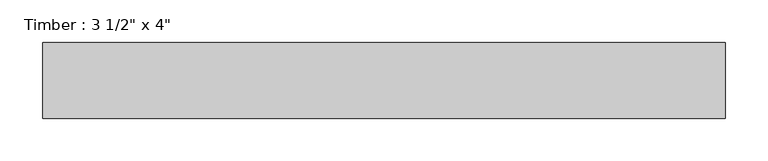
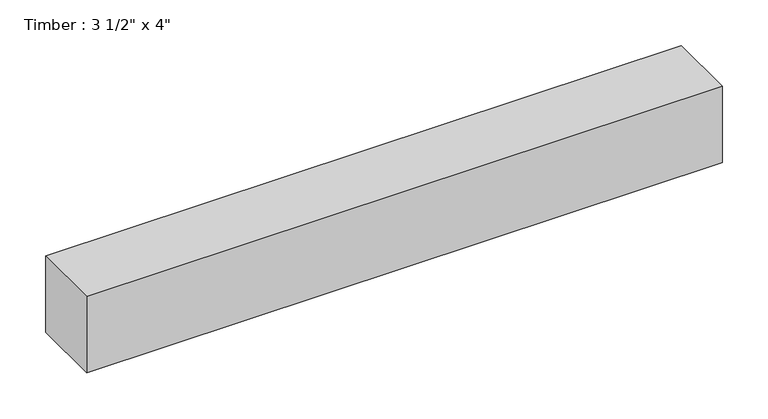
"""IFC4 building model written with IfcOpenShell, lengths in millimetres: beam geometry."""

from ifc_helpers import new_model, si_unit, frame, origin, place, context, project, spatial, polyline, outline, extrude, source, transform, mapped, element, save


def beam_0f2ee6c8(model_context):
    return source(origin(), model_context, "Body", "SweptSolid", [
        extrude(outline(polyline([(410.5041806, 44.45), (410.5041806, -44.45), (-389.5958194, -44.45), (-389.5958194, 44.45), (410.5041806, 44.45)])), frame((0.0, 0.0, -50.8), z_axis=(0.0, 0.0, 1.0), x_axis=(1.0, 0.0, 0.0)), (0.0, 0.0, 1.0), 101.6),
    ])


if __name__ == "__main__":
    model = new_model("IFC4")
    model_context = context("Model", 3, world=origin())
    ifc_project = project(units=[si_unit("LENGTHUNIT", "METRE", prefix="MILLI")], contexts=[model_context])
    site = spatial("IfcSite", under=ifc_project)
    building = spatial("IfcBuilding", under=site)
    placement = place(None, origin())
    beam_shape = beam_0f2ee6c8(model_context)
    element("IfcBeam", 1, ObjectType="Timber : 3 1/2\" x 4\"", at=placement, inside=building, context=model_context, shape_type="MappedRepresentation", body=[
        mapped(beam_shape, transform((0.0, 0.0, 0.0), x_axis=(1.0, 0.0, 0.0), y_axis=(0.0, 1.0, 0.0), z_axis=(0.0, 0.0, 1.0))),
    ])
    save(model, "model.ifc")
